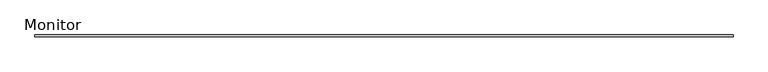
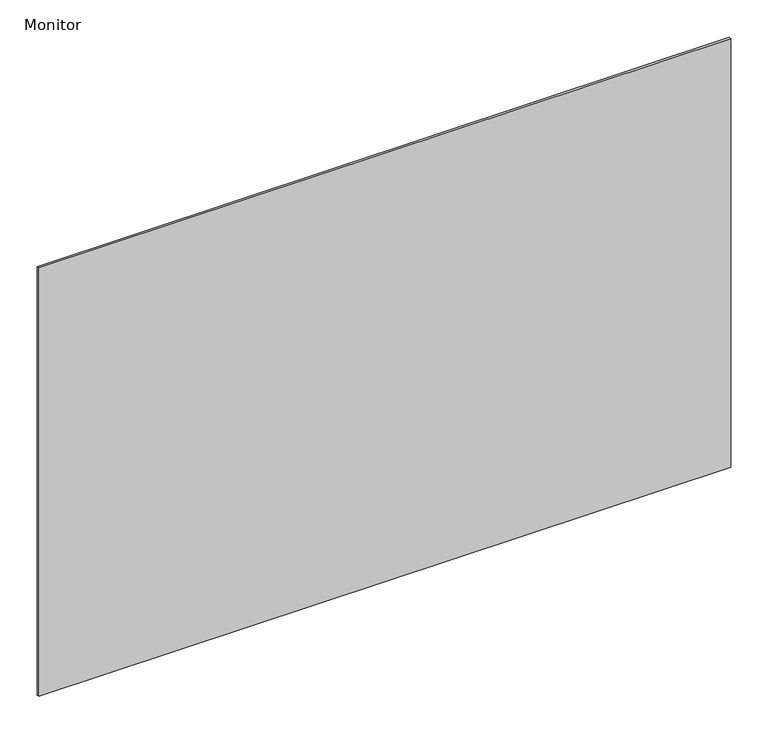
"""IFC4 building model written with IfcOpenShell, lengths in millimetres: furniture geometry, Monitor."""

from ifc_helpers import new_model, si_unit, origin, origin_with_axes, place, context, project, spatial, polyline, outline, extrude, source, transform, mapped, element, save


def monitor_be30b495(model_context):
    return source(origin(), model_context, "Body", "SweptSolid", [
        extrude(outline(polyline([(1044.3278718, 34.925), (-22.4721282, 34.925), (-22.4721282, 38.1), (1044.3278718, 38.1), (1044.3278718, 34.925)])), origin_with_axes(), (0.0, 0.0, 1.0), 698.5),
    ])


if __name__ == "__main__":
    model = new_model("IFC4")
    model_context = context("Model", 3, world=origin())
    ifc_project = project(units=[si_unit("LENGTHUNIT", "METRE", prefix="MILLI")], contexts=[model_context])
    site = spatial("IfcSite", under=ifc_project)
    building = spatial("IfcBuilding", under=site)
    placement = place(None, origin())
    monitor_shape = monitor_be30b495(model_context)
    element("IfcFurniture", 1, ObjectType="Monitor", at=placement, inside=building, context=model_context, shape_type="MappedRepresentation", body=[
        mapped(monitor_shape, transform((0.0, 0.0, 0.0), x_axis=(1.0, 0.0, 0.0), y_axis=(0.0, 1.0, 0.0), z_axis=(0.0, 0.0, 1.0))),
    ])
    save(model, "model.ifc")
